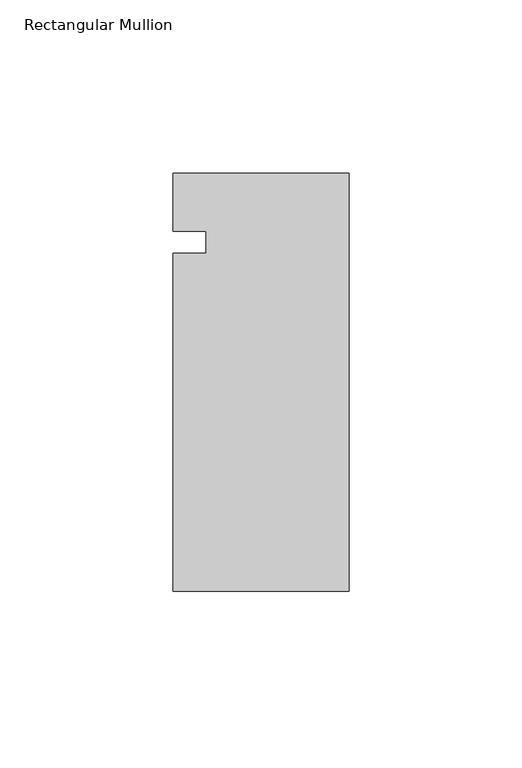
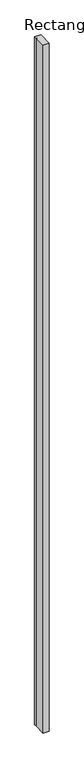
"""IFC4 building model written with IfcOpenShell, lengths in millimetres: member geometry, Rectangular Mullion."""

from ifc_helpers import new_model, si_unit, frame, origin, place, context, project, spatial, polyline, outline, extrude, source, transform, mapped, element, save


def rectangular_mullion_ace8a183(model_context):
    return source(origin(), model_context, "Body", "SweptSolid", [
        extrude(outline(polyline([(0.0, -59.9711801), (-50.8, -59.9711801), (-50.8, 37.5487695), (-41.275, 37.5487695), (-41.275, 43.9875445), (-50.8, 43.9875445), (-50.8, 60.6788199), (0.0, 60.6788199), (0.0, -59.9711801)])), frame((0.0, 0.0, -6019.8), z_axis=(0.0, 0.0, 1.0), x_axis=(1.0, 0.0, 0.0)), (0.0, 0.0, 1.0), 6019.8),
    ])


if __name__ == "__main__":
    model = new_model("IFC4")
    model_context = context("Model", 3, world=origin())
    ifc_project = project(units=[si_unit("LENGTHUNIT", "METRE", prefix="MILLI")], contexts=[model_context])
    site = spatial("IfcSite", under=ifc_project)
    building = spatial("IfcBuilding", under=site)
    placement = place(None, origin())
    rectangular_mullion_shape = rectangular_mullion_ace8a183(model_context)
    element("IfcMember", 1, ObjectType="Rectangular Mullion", at=placement, inside=building, context=model_context, shape_type="MappedRepresentation", body=[
        mapped(rectangular_mullion_shape, transform((0.0, 0.0, 0.0), x_axis=(1.0, 0.0, 0.0), y_axis=(0.0, 1.0, 0.0), z_axis=(0.0, 0.0, 1.0))),
    ])
    save(model, "model.ifc")
